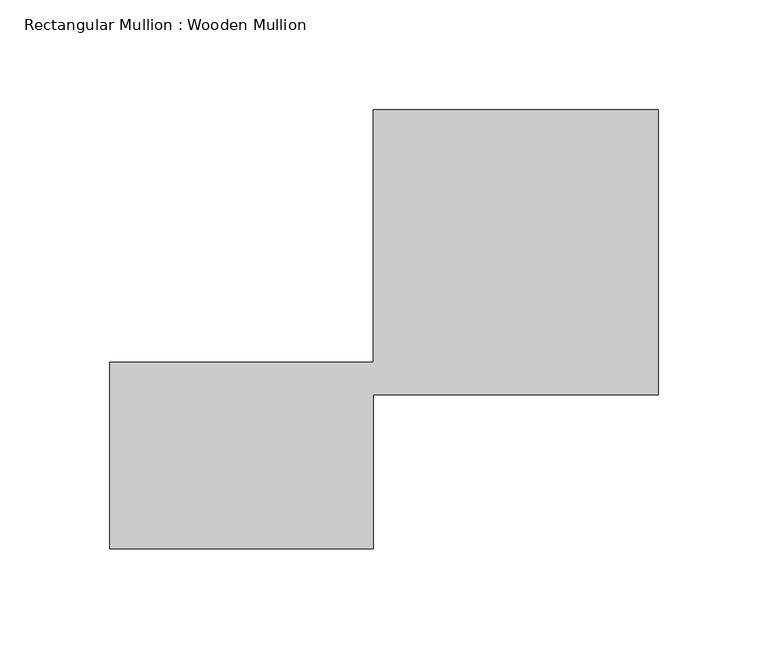
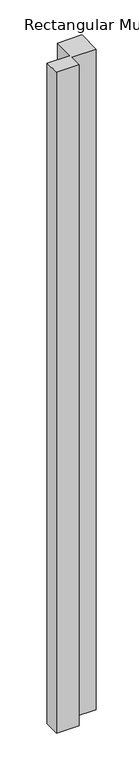
"""IFC4 building model written with IfcOpenShell, lengths in millimetres: member geometry, Rectangular Mullion : Wooden Mullion."""

from ifc_helpers import new_model, si_unit, frame, origin, place, context, project, spatial, polyline, outline, extrude, source, transform, mapped, element, save


def rectangular_mullion_wooden_mullion_22d4b93a(model_context):
    return source(origin(), model_context, "Body", "SweptSolid", [
        extrude(outline(polyline([(74.8100006, -26.0137344), (-45.1899994, -26.0137344), (-45.1899994, 58.9862656), (74.8100006, 58.9862656), (74.8100006, 173.9862656), (204.8100006, 173.9862656), (204.8100006, 43.9862656), (74.8100006, 43.9862656), (74.8100006, -26.0137344)])), frame((0.0, 0.0, -3690.2968461), z_axis=(0.0, 0.0, 1.0), x_axis=(1.0, 0.0, 0.0)), (0.0, 0.0, 1.0), 3690.2968461),
    ])


if __name__ == "__main__":
    model = new_model("IFC4")
    model_context = context("Model", 3, world=origin())
    ifc_project = project(units=[si_unit("LENGTHUNIT", "METRE", prefix="MILLI")], contexts=[model_context])
    site = spatial("IfcSite", under=ifc_project)
    building = spatial("IfcBuilding", under=site)
    placement = place(None, origin())
    rectangular_mullion_wooden_mullion_shape = rectangular_mullion_wooden_mullion_22d4b93a(model_context)
    element("IfcMember", 1, ObjectType="Rectangular Mullion : Wooden Mullion", at=placement, inside=building, context=model_context, shape_type="MappedRepresentation", body=[
        mapped(rectangular_mullion_wooden_mullion_shape, transform((0.0, 0.0, 0.0), x_axis=(1.0, 0.0, 0.0), y_axis=(0.0, 1.0, 0.0), z_axis=(0.0, 0.0, 1.0))),
    ])
    save(model, "model.ifc")
